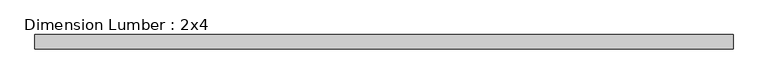
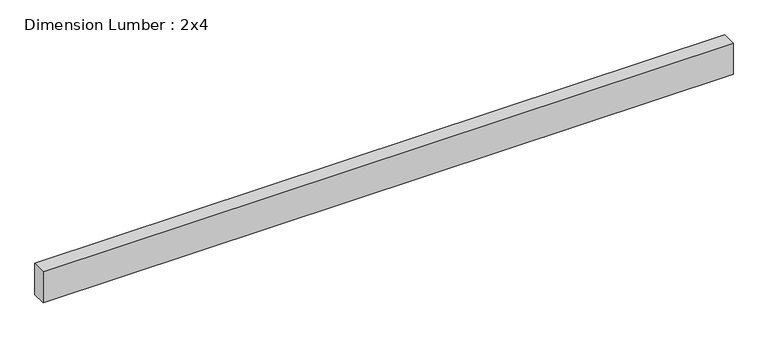
"""IFC4 building model written with IfcOpenShell, lengths in millimetres: beam geometry, Dimension Lumber : 2x4."""

from ifc_helpers import new_model, si_unit, frame, origin, place, context, project, spatial, polyline, outline, extrude, source, transform, mapped, element, save


def dimension_lumber_2x4_e37ce6c1(model_context):
    return source(origin(), model_context, "Body", "SweptSolid", [
        extrude(outline(polyline([(916.4112295, 19.05), (916.4112295, -19.05), (-931.9442166, -19.05), (-931.9442166, 19.05), (916.4112295, 19.05)])), frame((0.0, 0.0, -44.45), z_axis=(0.0, 0.0, 1.0), x_axis=(1.0, 0.0, 0.0)), (0.0, 0.0, 1.0), 88.9),
    ])


if __name__ == "__main__":
    model = new_model("IFC4")
    model_context = context("Model", 3, world=origin())
    ifc_project = project(units=[si_unit("LENGTHUNIT", "METRE", prefix="MILLI")], contexts=[model_context])
    site = spatial("IfcSite", under=ifc_project)
    building = spatial("IfcBuilding", under=site)
    placement = place(None, origin())
    dimension_lumber_2x4_shape = dimension_lumber_2x4_e37ce6c1(model_context)
    element("IfcBeam", 1, ObjectType="Dimension Lumber : 2x4", at=placement, inside=building, context=model_context, shape_type="MappedRepresentation", body=[
        mapped(dimension_lumber_2x4_shape, transform((0.0, 0.0, 0.0), x_axis=(1.0, 0.0, 0.0), y_axis=(0.0, 1.0, 0.0), z_axis=(0.0, 0.0, 1.0))),
    ])
    save(model, "model.ifc")
